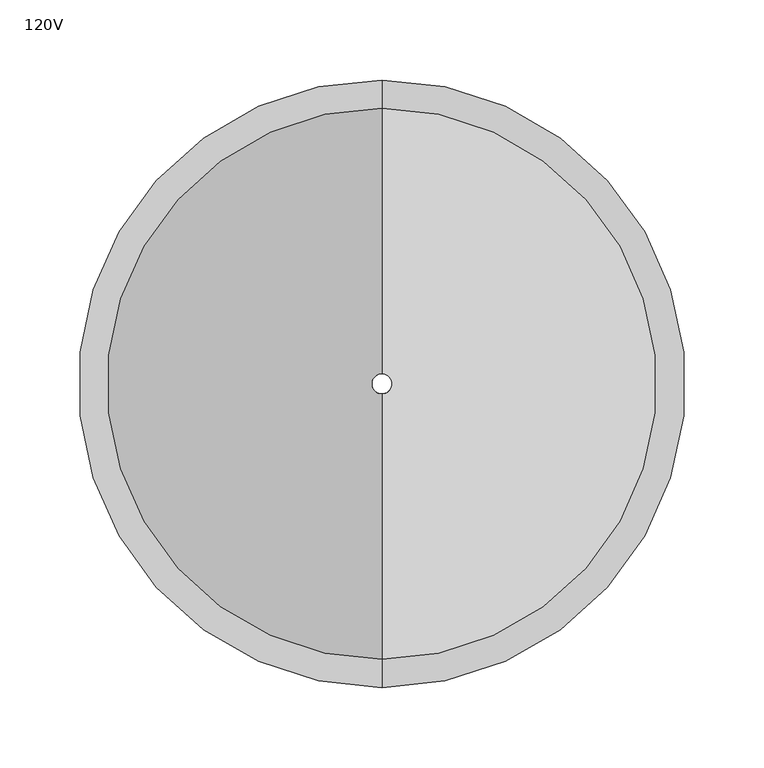
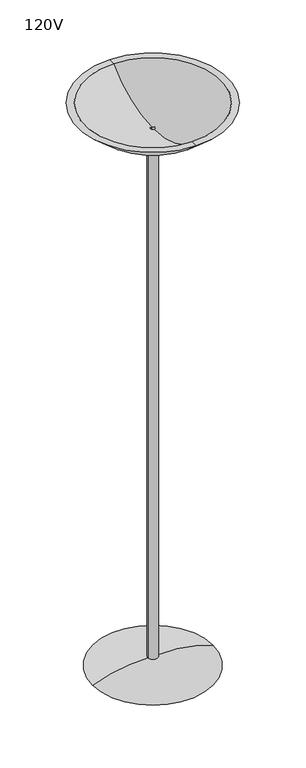
"""IFC4 building model written with IfcOpenShell, lengths in millimetres: light fixture geometry, 120V."""

from ifc_helpers import new_model, si_unit, point, frame, origin, place, context, project, spatial, polyline, circle_curve, ellipse_curve, trimmed, source, transform, mapped, element, save
from ifc_brep_helpers import plane_surface, cylinder_surface, revolved_surface, advanced_brep


def light_fixture_120v_5791e779(model_context):
    return source(origin(), model_context, "Body", "AdvancedBrep", [
        advanced_brep(
        [(-12.7, 0.0, 23.8559377), (12.7, 0.0, 23.8559377), (152.4, 0.0, 0.0), (-152.4, 0.0, 0.0), (-12.7, 0.0, 1419.3755116), (12.7, 0.0, 1419.3755116), (-6.35, 0.0, 1419.3755116), (6.35, 0.0, 1419.3755116), (-6.35, 0.0, 0.0), (6.35, 0.0, 0.0)],
        [
            (0, 1, circle_curve(frame((0.0, 0.0, 23.8559377), z_axis=(0.0, 0.0, -1.0), x_axis=(0.0, 1.0, 0.0)), 12.7)),
            (1, 2, circle_curve(frame((27.9174306, 0.0, -307.9995076), z_axis=(0.0, 1.0, 0.0), x_axis=(1.0, 0.0, 0.0)), 332.2041643)),
            (2, 3, circle_curve(frame((0.0, 0.0, 0.0), z_axis=(0.0, 0.0, 1.0), x_axis=(0.0, 1.0, 0.0)), 152.4)),
            (3, 0, circle_curve(frame((-27.9174306, 0.0, -307.9995076), z_axis=(0.0, 1.0, 0.0), x_axis=(-1.0, 0.0, 0.0)), 332.2041643)),
            (1, 0, circle_curve(frame((0.0, 0.0, 23.8559377), z_axis=(0.0, 0.0, -1.0), x_axis=(0.0, 1.0, 0.0)), 12.7)),
            (3, 2, circle_curve(frame((0.0, 0.0, 0.0), z_axis=(0.0, 0.0, 1.0), x_axis=(0.0, 1.0, 0.0)), 152.4)),
            (4, 5, circle_curve(frame((0.0, 0.0, 1419.3755116), z_axis=(0.0, 0.0, -1.0), x_axis=(0.0, 1.0, 0.0)), 12.7)),
            (5, 1),
            (0, 4),
            (5, 4, circle_curve(frame((0.0, 0.0, 1419.3755116), z_axis=(0.0, 0.0, -1.0), x_axis=(0.0, 1.0, 0.0)), 12.7)),
            (6, 7, circle_curve(frame((0.0, 0.0, 1419.3755116), z_axis=(0.0, 0.0, -1.0), x_axis=(0.0, 1.0, 0.0)), 6.35)),
            (7, 5),
            (4, 6),
            (7, 6, circle_curve(frame((0.0, 0.0, 1419.3755116), z_axis=(0.0, 0.0, -1.0), x_axis=(0.0, 1.0, 0.0)), 6.35)),
            (8, 9, circle_curve(frame((0.0, 0.0, 0.0), z_axis=(0.0, 0.0, -1.0), x_axis=(0.0, 1.0, 0.0)), 6.35)),
            (9, 7),
            (6, 8),
            (9, 8, circle_curve(frame((0.0, 0.0, 0.0), z_axis=(0.0, 0.0, -1.0), x_axis=(0.0, 1.0, 0.0)), 6.35)),
            (2, 9),
            (8, 3),
        ],
        [
            revolved_surface(trimmed(ellipse_curve(frame((0.0, 27.9174306, -307.9995076), z_axis=(1.0, 0.0, 0.0), x_axis=(0.0, 1.0, 0.0)), 332.2041643, 332.2041643), [point((0.0, 152.4, 0.0))], [point((0.0, 12.7, 23.8559377))], True, "CARTESIAN"), (0.0, 0.0, 0.0), (0.0, 0.0, 1.0)),
            cylinder_surface(frame((0.0, 0.0, 0.0), z_axis=(0.0, 0.0, 1.0), x_axis=(0.0, 1.0, 0.0)), 12.7),
            plane_surface(frame((0.0, 0.0, 1419.3755116), z_axis=(0.0, 0.0, 1.0), x_axis=(0.0, 1.0, 0.0))),
            revolved_surface(polyline([(0.0, 6.35, 1419.3755116), (0.0, 6.35, 0.0)]), (0.0, 0.0, 0.0), (0.0, 0.0, 1.0)),
            plane_surface(frame((0.0, 0.0, 0.0), z_axis=(0.0, 0.0, -1.0), x_axis=(0.0, 1.0, 0.0))),
        ],
        [
            (0, [[1, 2, 3, 4]]),
            (0, [[5, -4, 6, -2]]),
            (1, [[7, 8, -1, 9]]),
            (1, [[10, -9, -5, -8]]),
            (2, [[11, 12, -7, 13]]),
            (2, [[14, -13, -10, -12]]),
            (3, [[15, 16, -11, 17]]),
            (3, [[18, -17, -14, -16]]),
            (4, [[-3, 19, -15, 20]]),
            (4, [[-6, -20, -18, -19]]),
        ],
    ),
        advanced_brep(
        [(0.0, -171.9151264, 1500.0), (0.0, 171.9151264, 1500.0), (0.0, 189.6566143, 1500.0), (0.0, -189.6566143, 1500.0), (0.0, -6.35, 1432.0755116), (0.0, 6.35, 1432.0755116), (0.0, -6.35, 1419.3755116), (0.0, 6.35, 1419.3755116), (0.0, -12.7, 1419.3755116), (0.0, 12.7, 1419.3755116)],
        [
            (0, 1, circle_curve(frame((0.0, 0.0, 1500.0), z_axis=(0.0, 0.0, -1.0), x_axis=(0.0, 1.0, 0.0)), 171.9151264)),
            (1, 2),
            (2, 3, circle_curve(frame((0.0, 0.0, 1500.0), z_axis=(0.0, 0.0, 1.0), x_axis=(0.0, 1.0, 0.0)), 189.6566143)),
            (3, 0),
            (1, 0, circle_curve(frame((0.0, 0.0, 1500.0), z_axis=(0.0, 0.0, -1.0), x_axis=(0.0, 1.0, 0.0)), 171.9151264)),
            (3, 2, circle_curve(frame((0.0, 0.0, 1500.0), z_axis=(0.0, 0.0, 1.0), x_axis=(0.0, 1.0, 0.0)), 189.6566143)),
            (4, 5, circle_curve(frame((0.0, 0.0, 1432.0755116), z_axis=(0.0, 0.0, -1.0), x_axis=(0.0, 1.0, 0.0)), 6.35)),
            (5, 1, circle_curve(frame((0.0, 6.35, 1667.8192616), z_axis=(1.0, 0.0, 0.0), x_axis=(0.0, 1.0, 0.0)), 235.74375)),
            (0, 4, circle_curve(frame((0.0, -6.35, 1667.8192616), z_axis=(1.0, 0.0, 0.0), x_axis=(0.0, -1.0, 0.0)), 235.74375)),
            (5, 4, circle_curve(frame((0.0, 0.0, 1432.0755116), z_axis=(0.0, 0.0, -1.0), x_axis=(0.0, 1.0, 0.0)), 6.35)),
            (6, 7, circle_curve(frame((0.0, 0.0, 1419.3755116), z_axis=(0.0, 0.0, -1.0), x_axis=(0.0, 1.0, 0.0)), 6.35)),
            (7, 5),
            (4, 6),
            (7, 6, circle_curve(frame((0.0, 0.0, 1419.3755116), z_axis=(0.0, 0.0, -1.0), x_axis=(0.0, 1.0, 0.0)), 6.35)),
            (8, 9, circle_curve(frame((0.0, 0.0, 1419.3755116), z_axis=(0.0, 0.0, -1.0), x_axis=(0.0, 1.0, 0.0)), 12.7)),
            (9, 7),
            (6, 8),
            (9, 8, circle_curve(frame((0.0, 0.0, 1419.3755116), z_axis=(0.0, 0.0, -1.0), x_axis=(0.0, 1.0, 0.0)), 12.7)),
            (2, 9, circle_curve(frame((0.0, 6.35, 1667.8192616), z_axis=(-1.0, 0.0, 0.0), x_axis=(0.0, 1.0, 0.0)), 248.5248869)),
            (8, 3, circle_curve(frame((0.0, -6.35, 1667.8192616), z_axis=(-1.0, 0.0, 0.0), x_axis=(0.0, -1.0, 0.0)), 248.5248869)),
        ],
        [
            plane_surface(frame((0.0, 0.0, 1500.0), z_axis=(0.0, 0.0, 1.0), x_axis=(0.0, 1.0, 0.0))),
            revolved_surface(trimmed(ellipse_curve(frame((0.0, 6.35, 1667.8192616), z_axis=(-1.0, 0.0, 0.0), x_axis=(0.0, 1.0, 0.0)), 235.74375, 235.74375), [point((0.0, 171.9151264, 1500.0))], [point((0.0, 6.35, 1432.0755116))], True, "CARTESIAN"), (0.0, 0.0, 1652.4), (0.0, 0.0, 1.0)),
            revolved_surface(polyline([(0.0, 6.35, 1432.0755116), (0.0, 6.35, 1419.3755116)]), (0.0, 0.0, 1652.4), (0.0, 0.0, 1.0)),
            plane_surface(frame((0.0, 0.0, 1419.3755116), z_axis=(0.0, 0.0, -1.0), x_axis=(0.0, 1.0, 0.0))),
            revolved_surface(trimmed(ellipse_curve(frame((0.0, 6.35, 1667.8192616), z_axis=(1.0, 0.0, 0.0), x_axis=(0.0, 1.0, 0.0)), 248.5248869, 248.5248869), [point((0.0, 12.7, 1419.3755116))], [point((0.0, 189.6566143, 1500.0))], True, "CARTESIAN"), (0.0, 0.0, 1652.4), (0.0, 0.0, 1.0)),
        ],
        [
            (0, [[1, 2, 3, 4]]),
            (0, [[5, -4, 6, -2]]),
            (1, [[7, 8, -1, 9]]),
            (1, [[10, -9, -5, -8]]),
            (2, [[11, 12, -7, 13]]),
            (2, [[14, -13, -10, -12]]),
            (3, [[15, 16, -11, 17]]),
            (3, [[18, -17, -14, -16]]),
            (4, [[-3, 19, -15, 20]]),
            (4, [[-6, -20, -18, -19]]),
        ],
    ),
    ])


if __name__ == "__main__":
    model = new_model("IFC4")
    model_context = context("Model", 3, world=origin())
    ifc_project = project(units=[si_unit("LENGTHUNIT", "METRE", prefix="MILLI")], contexts=[model_context])
    site = spatial("IfcSite", under=ifc_project)
    building = spatial("IfcBuilding", under=site)
    placement = place(None, origin())
    light_fixture_120v_shape = light_fixture_120v_5791e779(model_context)
    element("IfcLightFixture", 1, ObjectType="120V", at=placement, inside=building, context=model_context, shape_type="MappedRepresentation", body=[
        mapped(light_fixture_120v_shape, transform((0.0, 0.0, 0.0), x_axis=(1.0, 0.0, 0.0), y_axis=(0.0, 1.0, 0.0), z_axis=(0.0, 0.0, 1.0))),
    ])
    save(model, "model.ifc")
